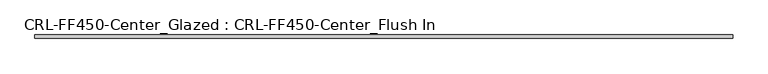
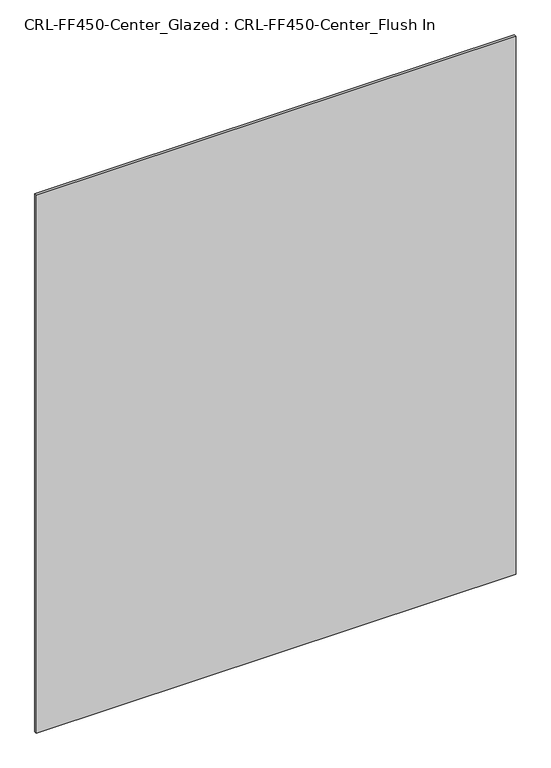
"""IFC4 building model written with IfcOpenShell, lengths in millimetres: plate geometry, CRL-FF450-Center_Glazed : CRL-FF450-Center_Flush In."""

from ifc_helpers import new_model, si_unit, origin, origin_with_axes, place, context, project, spatial, polyline, outline, extrude, source, transform, mapped, element, save


def crl_ff450_center_glazed_crl_ff450_center_flush_in_9e82ff4a(model_context):
    return source(origin(), model_context, "Body", "SweptSolid", [
        extrude(outline(polyline([(623.8874497, 3.1749999), (623.8874497, -3.1749999), (-623.8874497, -3.1749999), (-623.8874497, 3.1749999), (623.8874497, 3.1749999)])), origin_with_axes(), (0.0, 0.0, 1.0), 1477.9624801),
    ])


if __name__ == "__main__":
    model = new_model("IFC4")
    model_context = context("Model", 3, world=origin())
    ifc_project = project(units=[si_unit("LENGTHUNIT", "METRE", prefix="MILLI")], contexts=[model_context])
    site = spatial("IfcSite", under=ifc_project)
    building = spatial("IfcBuilding", under=site)
    placement = place(None, origin())
    crl_ff450_center_glazed_crl_ff450_center_flush_in_shape = crl_ff450_center_glazed_crl_ff450_center_flush_in_9e82ff4a(model_context)
    element("IfcPlate", 1, ObjectType="CRL-FF450-Center_Glazed : CRL-FF450-Center_Flush In", at=placement, inside=building, context=model_context, shape_type="MappedRepresentation", body=[
        mapped(crl_ff450_center_glazed_crl_ff450_center_flush_in_shape, transform((0.0, 0.0, 0.0), x_axis=(1.0, 0.0, 0.0), y_axis=(0.0, 1.0, 0.0), z_axis=(0.0, 0.0, 1.0))),
    ])
    save(model, "model.ifc")
